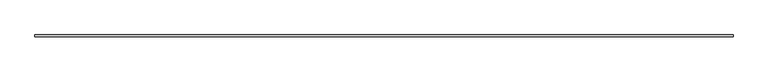
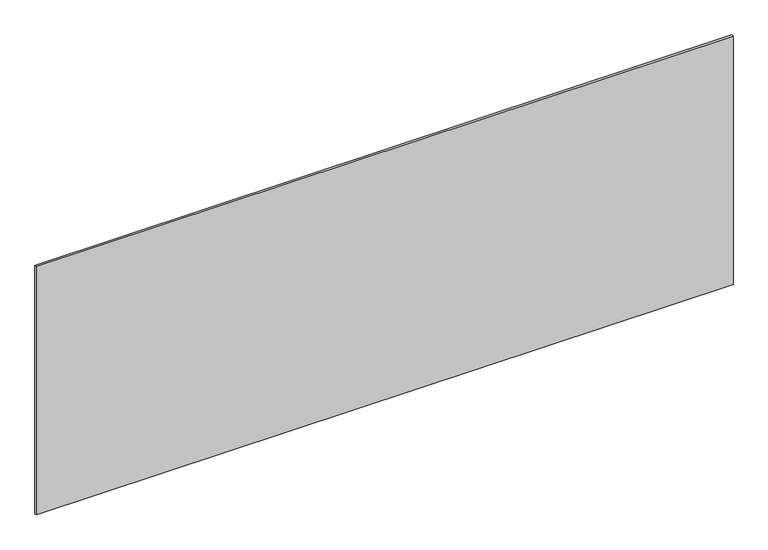
"""IFC4 building model written with IfcOpenShell, lengths in millimetres: plate geometry."""

from ifc_helpers import new_model, si_unit, origin, origin_with_axes, place, context, project, spatial, polyline, outline, extrude, source, transform, mapped, element, save


def plate_698f5f13(model_context):
    return source(origin(), model_context, "Body", "SweptSolid", [
        extrude(outline(polyline([(1715.0, -5.0), (-1715.0, -5.0), (-1715.0, 5.0), (1715.0, 5.0), (1715.0, -5.0)])), origin_with_axes(), (0.0, 0.0, 1.0), 1292.5856382),
    ])


if __name__ == "__main__":
    model = new_model("IFC4")
    model_context = context("Model", 3, world=origin())
    ifc_project = project(units=[si_unit("LENGTHUNIT", "METRE", prefix="MILLI")], contexts=[model_context])
    site = spatial("IfcSite", under=ifc_project)
    building = spatial("IfcBuilding", under=site)
    placement = place(None, origin())
    plate_shape = plate_698f5f13(model_context)
    element("IfcPlate", 1, at=placement, inside=building, context=model_context, shape_type="MappedRepresentation", body=[
        mapped(plate_shape, transform((0.0, 0.0, 0.0), x_axis=(1.0, 0.0, 0.0), y_axis=(0.0, 1.0, 0.0), z_axis=(0.0, 0.0, 1.0))),
    ])
    save(model, "model.ifc")
